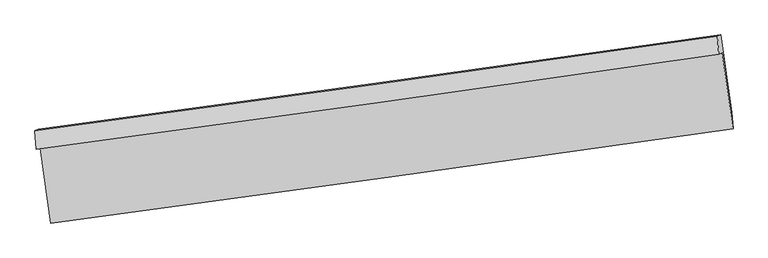
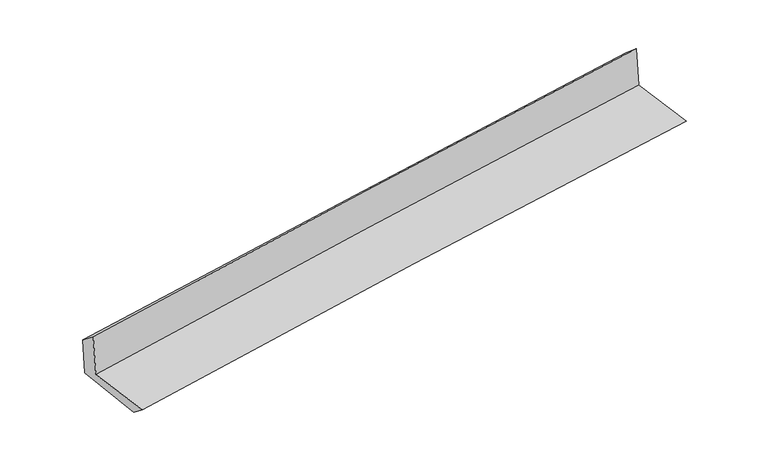
"""IFC4 building model written with IfcOpenShell, lengths in millimetres: proxy geometry."""

import ifcopenshell
import ifcopenshell.guid

model = None  # the IFC model being written
_history = None  # IfcOwnerHistory: only IFC2X3 demands one
_inside = {}  # id of a spatial element -> (the spatial element, [elements in it])
_under = {}  # id of a project, library or spatial element -> (it, [spatial elements below it])
_declared = {}  # id of a project -> (the project, [libraries it declares])
_typed = {}  # id of a type object -> (the type object, [elements of that type])
_made_of = {}  # id of a material, layer set ... -> (it, [elements and type objects made of it])


def new_model(schema):
    """Start an empty IFC model of exactly this schema.

    Asked for "IFC4X3", IfcOpenShell would pick the latest addendum, in which some entities
    have other attributes; the version numbers below select the first issue.
    IFC2X3 requires an IfcOwnerHistory on every rooted entity: one is made here for all.
    """
    global model, _history
    if schema == "IFC4X3":
        model = ifcopenshell.file(schema_version=(4, 3, 0, 0))
    else:
        model = ifcopenshell.file(schema=schema)
    _inside.clear()
    _under.clear()
    _declared.clear()
    _typed.clear()
    _made_of.clear()
    _history = None
    if model.schema == "IFC2X3":
        org = make("IfcOrganization", Name="unknown")
        user = make(
            "IfcPersonAndOrganization",
            ThePerson=make("IfcPerson", FamilyName="unknown"),
            TheOrganization=org,
        )
        app = make(
            "IfcApplication",
            ApplicationDeveloper=org,
            Version="unknown",
            ApplicationFullName="unknown",
            ApplicationIdentifier="unknown",
        )
        _history = make(
            "IfcOwnerHistory",
            OwningUser=user,
            OwningApplication=app,
            ChangeAction="ADDED",
            CreationDate=0,
        )
    return model


def make(cls, **values):
    """One entity of the class cls with the attributes given. An attribute that is None is left unset."""
    return model.create_entity(
        cls, **{name: value for name, value in values.items() if value is not None}
    )


def rooted(cls, **values):
    """An entity with a GlobalId (a new one), such as an element, a storey or a relation."""
    return make(cls, GlobalId=ifcopenshell.guid.new(), OwnerHistory=_history, **values)


def si_unit(unit_type, name, prefix=None):
    """IfcSIUnit, for example si_unit("LENGTHUNIT", "METRE", prefix="MILLI")."""
    return make("IfcSIUnit", UnitType=unit_type, Prefix=prefix, Name=name)


def assignment(units):
    """IfcUnitAssignment: the units of a project."""
    return None if units is None else make("IfcUnitAssignment", Units=units)


def point(xyz):
    """IfcCartesianPoint."""
    return None if xyz is None else make("IfcCartesianPoint", Coordinates=xyz)


def direction(xyz):
    """IfcDirection."""
    return None if xyz is None else make("IfcDirection", DirectionRatios=xyz)


def frame(location, z_axis=None, x_axis=None):
    """IfcAxis2Placement3D, a coordinate frame: its origin and axes. An axis left out is left unset."""
    return make(
        "IfcAxis2Placement3D",
        Location=point(location),
        Axis=direction(z_axis),
        RefDirection=direction(x_axis),
    )


def origin():
    """The frame at (0, 0, 0) with its axes left unset."""
    return frame((0.0, 0.0, 0.0))


def place(relative_to, where):
    """IfcLocalPlacement: puts the frame where relative to a parent placement (None: the world)."""
    return make(
        "IfcLocalPlacement", PlacementRelTo=relative_to, RelativePlacement=where
    )


def context(
    kind, dimensions, precision=None, world=None, true_north=None, identifier=None
):
    """IfcGeometricRepresentationContext, for example the 3D "Model" context."""
    return make(
        "IfcGeometricRepresentationContext",
        ContextIdentifier=identifier,
        ContextType=kind,
        CoordinateSpaceDimension=dimensions,
        Precision=precision,
        WorldCoordinateSystem=world,
        TrueNorth=true_north,
    )


def project(units=None, contexts=None):
    """IfcProject with its units and contexts."""
    return rooted(
        "IfcProject",
        Name="project",
        RepresentationContexts=contexts,
        UnitsInContext=assignment(units),
    )


def spatial(cls, under=None, at=None, **own):
    """A site, building, storey or space (cls), placed at a placement, below another one or the project."""
    s = rooted(cls, ObjectPlacement=at, **own)
    if under is not None:
        _under.setdefault(under.id(), (under, []))[1].append(s)
    return s


def shape(context_of_items, identifier, shape_type, items):
    """IfcShapeRepresentation: the items that make up one representation, for example the "Body"."""
    return make(
        "IfcShapeRepresentation",
        ContextOfItems=context_of_items,
        RepresentationIdentifier=identifier,
        RepresentationType=shape_type,
        Items=items,
    )


def source(mapping_origin, context_of_items, identifier, shape_type, items):
    """IfcRepresentationMap: a shape defined once, which mapped items show again and again."""
    return make(
        "IfcRepresentationMap",
        MappingOrigin=mapping_origin,
        MappedRepresentation=shape(context_of_items, identifier, shape_type, items),
    )


def transform(
    local_origin,
    x_axis=None,
    y_axis=None,
    z_axis=None,
    scale=None,
    scale2=None,
    scale3=None,
    uniform=True,
):
    """IfcCartesianTransformationOperator3D, or its non-uniform kind. x_axis, y_axis, z_axis: its Axis1, 2, 3."""
    if uniform:
        return make(
            "IfcCartesianTransformationOperator3D",
            Axis1=direction(x_axis),
            Axis2=direction(y_axis),
            LocalOrigin=point(local_origin),
            Scale=scale,
            Axis3=direction(z_axis),
        )
    return make(
        "IfcCartesianTransformationOperator3DnonUniform",
        Axis1=direction(x_axis),
        Axis2=direction(y_axis),
        LocalOrigin=point(local_origin),
        Scale=scale,
        Axis3=direction(z_axis),
        Scale2=scale2,
        Scale3=scale3,
    )


def mapped(mapping_source, mapping_target):
    """IfcMappedItem: shows the shape of a source again, moved by a transform."""
    return make(
        "IfcMappedItem", MappingSource=mapping_source, MappingTarget=mapping_target
    )


def made_of(thing, what):
    """Note that an element or type object is made of a material, layer set ...; save() writes the relation."""
    if what is not None:
        _made_of.setdefault(what.id(), (what, []))[1].append(thing)
    return thing


def element(
    cls,
    number,
    at=None,
    inside=None,
    cuts=None,
    type_object=None,
    material=None,
    context=None,
    identifier="Body",
    shape_type=None,
    held_by="IfcProductDefinitionShape",
    body=None,
    shapes=None,
    **own,
):
    """One element of the class cls, such as IfcWall. Its Tag is "e" and its number.

    at: its placement. inside: the storey or other place that contains it. cuts: it is an
    opening in that element (IfcRelVoidsElement). A single representation is given by context,
    identifier, shape_type and body (its items); several are given by shapes. held_by: the class
    of the entity that holds the representations. save() writes the other relations.
    """
    e = rooted(cls, Tag="e%d" % number, ObjectPlacement=at, **own)
    if body is not None:
        shapes = [shape(context, identifier, shape_type, body)]
    if shapes is not None:
        e.Representation = make(held_by, Representations=shapes)
    if inside is not None:
        _inside.setdefault(inside.id(), (inside, []))[1].append(e)
    if cuts is not None:
        rooted(
            "IfcRelVoidsElement", RelatingBuildingElement=cuts, RelatedOpeningElement=e
        )
    if type_object is not None:
        _typed.setdefault(type_object.id(), (type_object, []))[1].append(e)
    return made_of(e, material)


def aggregate(whole, parts):
    """IfcRelAggregates: a whole, such as a stair, and the parts it consists of."""
    return rooted("IfcRelAggregates", RelatingObject=whole, RelatedObjects=parts)


def save(model, path):
    """Write the relations noted so far, then the file.

    IfcRelAggregates (storeys below a building ...), IfcRelContainedInSpatialStructure (elements
    in a storey), IfcRelDefinesByType, IfcRelAssociatesMaterial and IfcRelDeclares: one each for
    every whole, place, type object, material and project.
    """
    for whole, parts in _under.values():
        aggregate(whole, parts)
    for where, things in _inside.values():
        rooted(
            "IfcRelContainedInSpatialStructure",
            RelatedElements=things,
            RelatingStructure=where,
        )
    for kind, things in _typed.values():
        rooted("IfcRelDefinesByType", RelatedObjects=things, RelatingType=kind)
    for what, things in _made_of.values():
        rooted("IfcRelAssociatesMaterial", RelatedObjects=things, RelatingMaterial=what)
    for by, libraries in _declared.values():
        rooted("IfcRelDeclares", RelatingContext=by, RelatedDefinitions=libraries)
    model.write(path)


def plane_surface(at):
    """IfcPlane: the flat surface through the origin of the frame at, square to its z axis."""
    return make("IfcPlane", Position=at)


def spline_curve(degree, points, multiplicities, knots, weights=None):
    """IfcBSplineCurveWithKnots; with weights, IfcRationalBSplineCurveWithKnots."""
    own = dict(
        Degree=degree,
        ControlPointsList=[point(p) for p in points],
        CurveForm="UNSPECIFIED",
        ClosedCurve=False,
        SelfIntersect=False,
        KnotMultiplicities=multiplicities,
        Knots=knots,
        KnotSpec="UNSPECIFIED",
    )
    if weights is None:
        return make("IfcBSplineCurveWithKnots", **own)
    return make("IfcRationalBSplineCurveWithKnots", WeightsData=weights, **own)


def spline_surface(u_degree, v_degree, points, u_multiplicities, v_multiplicities, u_knots, v_knots, weights=None):
    """IfcBSplineSurfaceWithKnots; with weights, IfcRationalBSplineSurfaceWithKnots. points: one row for each step in u."""
    own = dict(
        UDegree=u_degree,
        VDegree=v_degree,
        ControlPointsList=[[point(p) for p in row] for row in points],
        SurfaceForm="UNSPECIFIED",
        UClosed=False,
        VClosed=False,
        SelfIntersect=False,
        UMultiplicities=u_multiplicities,
        VMultiplicities=v_multiplicities,
        UKnots=u_knots,
        VKnots=v_knots,
        KnotSpec="UNSPECIFIED",
    )
    if weights is None:
        return make("IfcBSplineSurfaceWithKnots", **own)
    return make("IfcRationalBSplineSurfaceWithKnots", WeightsData=weights, **own)


def advanced_brep(points, edges, surfaces, faces):
    """IfcAdvancedBrep: a solid bounded by faces that lie on surfaces and meet in shared edges.

    An edge is (start, end): straight between two places in points (the first is 0);
    or (start, end, curve); or (start, end, curve, False) where it runs against its curve.
    A face is (place in surfaces, loops), or (place, loops, False) where it looks against
    its surface's normal. A loop lists edges by number (the first is 1), with a minus sign
    where the edge is run from its end to its start. The first loop is the outer one.
    """
    corners = [point(p) for p in points]
    vertices = [make("IfcVertexPoint", VertexGeometry=c) for c in corners]
    made = []
    for start, end, *more in edges:
        made.append(
            make(
                "IfcEdgeCurve",
                EdgeStart=vertices[start],
                EdgeEnd=vertices[end],
                EdgeGeometry=more[0] if more else make("IfcPolyline", Points=[corners[start], corners[end]]),
                SameSense=more[1] if len(more) > 1 else True,
            )
        )
    hull = []
    for where, loops, *sense in faces:
        bounds = []
        for j, loop in enumerate(loops):
            ring = [make("IfcOrientedEdge", EdgeElement=made[abs(k) - 1], Orientation=k > 0) for k in loop]
            bounds.append(
                make(
                    "IfcFaceOuterBound" if j == 0 else "IfcFaceBound",
                    Bound=make("IfcEdgeLoop", EdgeList=ring),
                    Orientation=True,
                )
            )
        hull.append(make("IfcAdvancedFace", Bounds=bounds, FaceSurface=surfaces[where], SameSense=sense[0] if sense else True))
    return make("IfcAdvancedBrep", Outer=make("IfcClosedShell", CfsFaces=hull))


def generic_models_1cdb4644(model_context):
    return source(origin(), model_context, "Body", "AdvancedBrep", [
        advanced_brep(
        [(-2984.1288145, -1916.7068018, 1631.0245986), (-2892.13245, -2568.1604644, 1617.6008588), (3035.623149, -1750.5975414, 2116.2314632), (2941.2375079, -1087.7919756, 2129.8294042), (-3016.067826, -1926.5732921, 2045.8012848), (2910.7008958, -1102.7427258, 2535.9805079), (-3028.6919722, -1765.827623, 1923.6711031), (2899.7772993, -947.5849019, 2400.1585335), (-3001.0131674, -1752.2760576, 1555.5301617), (2926.931757, -934.2900572, 2038.9916507), (-2902.4495668, -2435.9484403, 1516.3263081), (3025.2238551, -1607.7850419, 1995.5072531)],
        [
            (0, 1),
            (1, 2, spline_curve(3, [(-2892.13245, -2568.1604644, 1617.6008588), (-1905.086152592, -2435.434893907, 1717.98301238), (-917.575812912, -2300.940796764, 1809.727142622), (1058.342748543, -2028.419714266, 1975.936816175), (2046.750941889, -1890.392837257, 2050.402887145), (3035.623149, -1750.5975414, 2116.2314632)], [4, 2, 4], [0.0, 9.849979878543085, 19.69965863729544])),
            (2, 3),
            (3, 0, spline_curve(3, [(2941.2375079, -1087.7919756, 2129.8294042), (1953.276667597, -1233.081865832, 2063.897894734), (965.523264911, -1374.802045248, 1989.365840001), (-1009.598855106, -1651.107205624, 1823.098097108), (-1996.967559946, -1785.691968261, 1731.361883552), (-2984.1288145, -1916.7068018, 1631.0245986)], [4, 2, 4], [0.0, 9.849678758752354, 19.69965863729544])),
            (4, 0),
            (3, 5),
            (5, 4, spline_curve(3, [(2910.7008958, -1102.7427258, 2535.9805079), (1922.292047611, -1245.411935425, 2471.046716016), (934.197775027, -1385.398079088, 2397.732303819), (-1041.391818367, -1660.008432078, 2234.339741838), (-2028.887119399, -1794.632476941, 2144.261079479), (-3016.067826, -1926.5732921, 2045.8012848)], [4, 2, 4], [0.0, 9.849014692763257, 19.69833048501573])),
            (6, 4),
            (5, 7),
            (7, 6, spline_curve(3, [(2899.7772993, -947.5849019, 2400.1585335), (1911.49434994, -1087.146662759, 2328.600918975), (923.321319211, -1225.113418777, 2253.115492884), (-1052.835111217, -1497.861090316, 2094.286589531), (-2040.818504419, -1632.641907677, 2010.942872072), (-3028.6919722, -1765.827623, 1923.6711031)], [4, 2, 4], [0.0, 9.848642069812572, 19.697585227722705])),
            (8, 6),
            (7, 9),
            (9, 8, spline_curve(3, [(2926.931757, -934.2900572, 2038.9916507), (1938.916619966, -1073.720697058, 1963.872009269), (950.921191567, -1211.600498945, 1886.0243888), (-1025.0604509, -1484.262593641, 1724.87072568), (-2013.046664157, -1619.044792132, 1641.564516628), (-3001.0131674, -1752.2760576, 1555.5301617)], [4, 2, 4], [0.0, 9.848368629742684, 19.697038339223447])),
            (10, 8),
            (9, 11),
            (11, 10, spline_curve(3, [(3025.2238551, -1607.7850419, 1995.5072531), (2036.178800543, -1742.381639669, 1923.115646424), (1047.691030173, -1878.692473799, 1846.988765171), (-928.200144524, -2154.746835239, 1687.26201192), (-1915.603514879, -2294.490467085, 1603.661911565), (-2902.4495668, -2435.9484403, 1516.3263081)], [4, 2, 4], [0.0, 9.848995623972913, 19.698292346852078])),
            (1, 10),
            (11, 2),
        ],
        [
            spline_surface(3, 3, [[(-2984.1288145, -1916.7068018, 1631.0245986), (-1996.967560092, -1785.691968308, 1731.36188364), (-1009.598855165, -1651.107205601, 1823.098097217), (965.52326497, -1374.802045271, 1989.365839892), (1953.27666754, -1233.081865905, 2063.897894822), (2941.2375079, -1087.7919756, 2129.8294042)], [(-2953.463359679, -2133.85802268, 1626.550018687), (-1966.340424276, -2002.272943547, 1726.902259913), (-978.924507735, -1867.718402662, 1818.641112397), (996.463092813, -1592.674601622, 1984.889498621), (1984.434758951, -1452.185523011, 2059.399558947), (2972.69938827, -1308.727164212, 2125.296757194)], [(-2922.797904821, -2351.00924352, 1622.075438713), (-1935.713288423, -2218.853918746, 1722.442636126), (-948.250160301, -2084.329599684, 1814.184127557), (1027.402920659, -1810.547157934, 1980.41315733), (2015.592850353, -1671.289180082, 2054.90122309), (3004.16126863, -1529.662352788, 2120.764110206)], [(-2892.13245, -2568.1604644, 1617.6008588), (-1905.086152608, -2435.434893985, 1717.9830124), (-917.575812871, -2300.940796745, 1809.727142737), (1058.342748501, -2028.419714285, 1975.93681606), (2046.750941764, -1890.392837188, 2050.402887215), (3035.623149, -1750.5975414, 2116.2314632)]], [4, 4], [4, 2, 4], [0.0, 2.160047453894706], [0.0, 9.849979878543085, 19.69965863729544]),
            spline_surface(3, 3, [[(-3016.067826, -1926.5732921, 2045.8012848), (-2028.887119347, -1794.632477087, 2144.261079566), (-1041.391818267, -1660.008432004, 2234.339741865), (934.197774926, -1385.398079162, 2397.732303793), (1922.292047729, -1245.411935522, 2471.046715888), (2910.7008958, -1102.7427258, 2535.9805079)], [(-3005.42148881, -1923.28446199, 1907.542389385), (-2018.247266238, -1791.652307484, 2006.628014242), (-1030.794163883, -1657.041356538, 2097.259193644), (944.639604957, -1381.866067867, 2261.610149155), (1932.620254315, -1241.301912331, 2335.330442211), (2920.879766483, -1097.759142415, 2400.596806678)], [(-2994.77515169, -1919.99563191, 1769.283494015), (-2007.6074132, -1788.672137911, 1868.994948964), (-1020.196509549, -1654.074281067, 1960.178645438), (955.081434939, -1378.334056566, 2125.48799453), (1942.948460954, -1237.191889096, 2199.614168499), (2931.058637217, -1092.775558985, 2265.213105422)], [(-2984.1288145, -1916.7068018, 1631.0245986), (-1996.967560092, -1785.691968308, 1731.36188364), (-1009.598855165, -1651.107205601, 1823.098097217), (965.52326497, -1374.802045271, 1989.365839892), (1953.27666754, -1233.081865905, 2063.897894822), (2941.2375079, -1087.7919756, 2129.8294042)]], [4, 4], [4, 2, 4], [0.0, 1.3488618508521875], [0.0, 9.849315792252474, 19.69833048501573]),
            spline_surface(3, 3, [[(-3028.6919722, -1765.827623, 1923.6711031), (-2040.81850442, -1632.641907795, 2010.942872193), (-1052.835111273, -1497.861090171, 2094.286589563), (923.321319268, -1225.113418922, 2253.115492853), (1911.49434998, -1087.146662894, 2328.600918978), (2899.7772993, -947.5849019, 2400.1585335)], [(-3024.48392348, -1819.409512697, 1964.381163659), (-2036.841376076, -1686.638764223, 2055.382274643), (-1049.020680284, -1551.910204126, 2140.970973658), (926.946804475, -1278.541639013, 2301.321096494), (1915.093582588, -1139.901753769, 2376.082851275), (2903.418498159, -999.304176533, 2445.43252496)], [(-3020.27587472, -1872.991402403, 2005.091224241), (-2032.864247691, -1740.635620659, 2099.821677116), (-1045.206249256, -1605.959318049, 2187.655357769), (930.57228972, -1331.969859072, 2349.526700151), (1918.69281512, -1192.656844646, 2423.564783592), (2907.059696941, -1051.023451167, 2490.70651644)], [(-3016.067826, -1926.5732921, 2045.8012848), (-2028.887119347, -1794.632477087, 2144.261079566), (-1041.391818267, -1660.008432004, 2234.339741865), (934.197774926, -1385.398079162, 2397.732303793), (1922.292047729, -1245.411935522, 2471.046715888), (2910.7008958, -1102.7427258, 2535.9805079)]], [4, 4], [4, 2, 4], [0.0, 0.7065193936660553], [0.0, 9.848943157910133, 19.697585227722705]),
            spline_surface(3, 3, [[(-3001.0131674, -1752.2760576, 1555.5301617), (-2013.046664214, -1619.044792184, 1641.564516735), (-1025.060451009, -1484.262593779, 1724.870725814), (950.921191676, -1211.600498807, 1886.024388667), (1938.916619912, -1073.720697107, 1963.872009283), (2926.931757, -934.2900572, 2038.9916507)], [(-3010.239435658, -1756.793246062, 1678.243808848), (-2022.303944274, -1623.577164049, 1764.690635235), (-1034.318671093, -1488.79542588, 1848.009347065), (941.72123421, -1216.104805483, 2008.388090064), (1929.775863251, -1078.196019021, 2085.448312529), (2917.880271083, -938.721672085, 2159.380611647)], [(-3019.465703942, -1761.310434538, 1800.957455952), (-2031.56122436, -1628.109535929, 1887.816753692), (-1043.576891189, -1493.328258069, 1971.147968311), (932.521276733, -1220.609112246, 2130.751791455), (1920.635106642, -1082.671340979, 2207.024615733), (2908.828785217, -943.153287015, 2279.769572553)], [(-3028.6919722, -1765.827623, 1923.6711031), (-2040.81850442, -1632.641907795, 2010.942872193), (-1052.835111273, -1497.861090171, 2094.286589563), (923.321319268, -1225.113418922, 2253.115492853), (1911.49434998, -1087.146662894, 2328.600918978), (2899.7772993, -947.5849019, 2400.1585335)]], [4, 4], [4, 2, 4], [0.0, 1.212406835792303], [0.0, 9.848669709480763, 19.697038339223447]),
            spline_surface(3, 3, [[(-2902.4495668, -2435.9484403, 1516.3263081), (-1915.603514809, -2294.490467014, 1603.661911564), (-928.200144525, -2154.746835189, 1687.262011907), (1047.691030174, -1878.692473849, 1846.988765184), (2036.178800541, -1742.381639585, 1923.115646507), (3025.2238551, -1607.7850419, 1995.5072531)], [(-2935.304100335, -2208.057646071, 1529.394259311), (-1948.084564612, -2069.341908742, 1616.296113299), (-960.486913348, -1931.252088081, 1699.798249853), (1015.434417346, -1656.328482197, 1860.000639656), (2003.758073685, -1519.494658772, 1936.701100763), (2992.45982242, -1383.28671368, 2010.002052297)], [(-2968.158633865, -1980.166851829, 1542.462210489), (-1980.565614411, -1844.193350456, 1628.930315), (-992.773682186, -1707.757340887, 1712.334487868), (983.177804503, -1433.964490459, 1873.012514195), (1971.337346768, -1296.60767792, 1950.286555027), (2959.69578968, -1158.78838542, 2024.496851503)], [(-3001.0131674, -1752.2760576, 1555.5301617), (-2013.046664214, -1619.044792184, 1641.564516735), (-1025.060451009, -1484.262593779, 1724.870725814), (950.921191676, -1211.600498807, 1886.024388667), (1938.916619912, -1073.720697107, 1963.872009283), (2926.931757, -934.2900572, 2038.9916507)]], [4, 4], [4, 2, 4], [0.0, 2.220620549867248], [0.0, 9.849296722879165, 19.698292346852078]),
            spline_surface(3, 3, [[(-2892.13245, -2568.1604644, 1617.6008588), (-1905.086152608, -2435.434893985, 1717.9830124), (-917.575812871, -2300.940796745, 1809.727142737), (1058.342748501, -2028.419714285, 1975.93681606), (2046.750941764, -1890.392837188, 2050.402887215), (3035.623149, -1750.5975414, 2116.2314632)], [(-2895.571488938, -2524.089789699, 1583.84267521), (-1908.591940013, -2388.453418327, 1679.875978765), (-921.117256767, -2252.209476202, 1768.905432484), (1054.792175714, -1978.510634115, 1932.954132458), (2043.226894676, -1841.055771296, 2007.973806969), (3032.156717686, -1702.993374875, 2075.990059823)], [(-2899.010527862, -2480.019115001, 1550.08449169), (-1912.097727404, -2341.471942672, 1641.768945199), (-924.658700629, -2203.478155732, 1728.08372216), (1051.241602962, -1928.601554019, 1889.971448786), (2039.702847629, -1791.718705478, 1965.544726753), (3028.690286414, -1655.389208425, 2035.748656477)], [(-2902.4495668, -2435.9484403, 1516.3263081), (-1915.603514809, -2294.490467014, 1603.661911564), (-928.200144525, -2154.746835189, 1687.262011907), (1047.691030174, -1878.692473849, 1846.988765184), (2036.178800541, -1742.381639585, 1923.115646507), (3025.2238551, -1607.7850419, 1995.5072531)]], [4, 4], [4, 2, 4], [0.0, 0.6379324106285778], [0.0, 9.850228733121142, 19.700156338843918]),
            plane_surface(frame((2956.5824107, -1238.4653739, 2202.7831354), z_axis=(0.9871179629786765, 0.13894122735315576, 0.07933134630413775), x_axis=(-0.07492327989596524, -0.0366824989251113, 0.9965143734047393))),
            plane_surface(frame((-2970.7472995, -2060.9154466, 1714.9923859), z_axis=(-0.987282158120971, -0.1377870072354834, -0.07930120360427663), x_axis=(-0.13980057688802985, 0.9899695317833489, 0.020399138276675517))),
        ],
        [
            (0, [[1, 2, 3, 4]]),
            (1, [[5, -4, 6, 7]]),
            (2, [[8, -7, 9, 10]]),
            (3, [[11, -10, 12, 13]]),
            (4, [[14, -13, 15, 16]]),
            (5, [[17, -16, 18, -2]]),
            (6, [[-12, -9, -6, -3, -18, -15]]),
            (7, [[-1, -5, -8, -11, -14, -17]]),
        ],
    ),
    ])


if __name__ == "__main__":
    model = new_model("IFC4")
    model_context = context("Model", 3, world=origin())
    ifc_project = project(units=[si_unit("LENGTHUNIT", "METRE", prefix="MILLI")], contexts=[model_context])
    site = spatial("IfcSite", under=ifc_project)
    building = spatial("IfcBuilding", under=site)
    placement = place(None, origin())
    generic_models_shape = generic_models_1cdb4644(model_context)
    element("IfcBuildingElementProxy", 1, Name="Generic Models", at=placement, inside=building, context=model_context, shape_type="MappedRepresentation", body=[
        mapped(generic_models_shape, transform((0.0, 0.0, 0.0), x_axis=(1.0, 0.0, 0.0), y_axis=(0.0, 1.0, 0.0), z_axis=(0.0, 0.0, 1.0))),
    ])
    save(model, "model.ifc")
